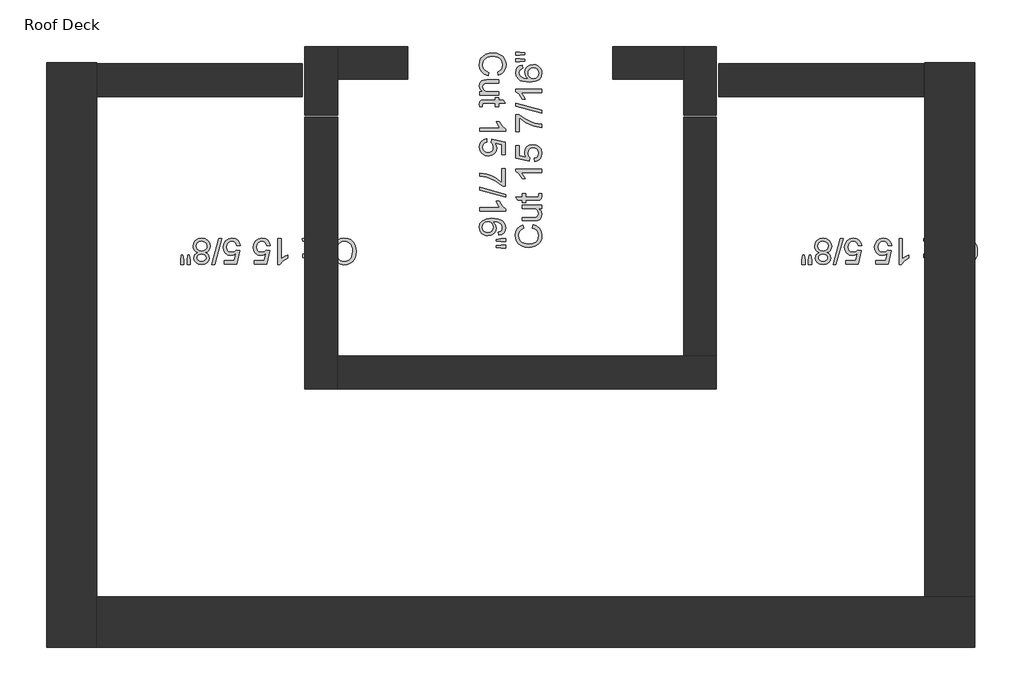
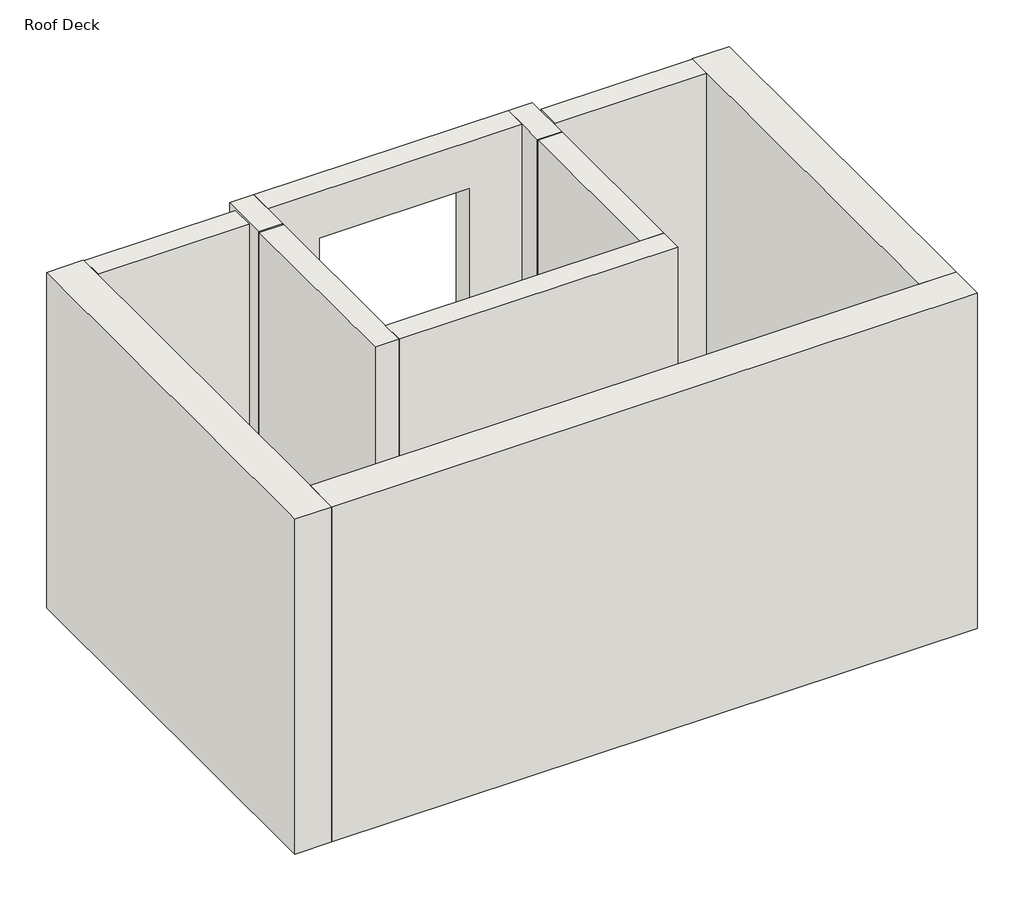
# One storey: 11 walls, 4 proxies.
"""IFC4 building model written with IfcOpenShell, lengths in millimetres."""

import ifcopenshell
import ifcopenshell.guid

model = None  # the IFC model being written
_history = None  # IfcOwnerHistory: only IFC2X3 demands one
_inside = {}  # id of a spatial element -> (the spatial element, [elements in it])
_under = {}  # id of a project, library or spatial element -> (it, [spatial elements below it])
_declared = {}  # id of a project -> (the project, [libraries it declares])
_typed = {}  # id of a type object -> (the type object, [elements of that type])
_made_of = {}  # id of a material, layer set ... -> (it, [elements and type objects made of it])


def new_model(schema):
    """Start an empty IFC model of exactly this schema.

    Asked for "IFC4X3", IfcOpenShell would pick the latest addendum, in which some entities
    have other attributes; the version numbers below select the first issue.
    IFC2X3 requires an IfcOwnerHistory on every rooted entity: one is made here for all.
    """
    global model, _history
    if schema == "IFC4X3":
        model = ifcopenshell.file(schema_version=(4, 3, 0, 0))
    else:
        model = ifcopenshell.file(schema=schema)
    _inside.clear()
    _under.clear()
    _declared.clear()
    _typed.clear()
    _made_of.clear()
    _history = None
    if model.schema == "IFC2X3":
        org = make("IfcOrganization", Name="unknown")
        user = make(
            "IfcPersonAndOrganization",
            ThePerson=make("IfcPerson", FamilyName="unknown"),
            TheOrganization=org,
        )
        app = make(
            "IfcApplication",
            ApplicationDeveloper=org,
            Version="unknown",
            ApplicationFullName="unknown",
            ApplicationIdentifier="unknown",
        )
        _history = make(
            "IfcOwnerHistory",
            OwningUser=user,
            OwningApplication=app,
            ChangeAction="ADDED",
            CreationDate=0,
        )
    return model


def make(cls, **values):
    """One entity of the class cls with the attributes given. An attribute that is None is left unset."""
    return model.create_entity(
        cls, **{name: value for name, value in values.items() if value is not None}
    )


def rooted(cls, **values):
    """An entity with a GlobalId (a new one), such as an element, a storey or a relation."""
    return make(cls, GlobalId=ifcopenshell.guid.new(), OwnerHistory=_history, **values)


def si_unit(unit_type, name, prefix=None):
    """IfcSIUnit, for example si_unit("LENGTHUNIT", "METRE", prefix="MILLI")."""
    return make("IfcSIUnit", UnitType=unit_type, Prefix=prefix, Name=name)


def assignment(units):
    """IfcUnitAssignment: the units of a project."""
    return None if units is None else make("IfcUnitAssignment", Units=units)


def point(xyz):
    """IfcCartesianPoint."""
    return None if xyz is None else make("IfcCartesianPoint", Coordinates=xyz)


def direction(xyz):
    """IfcDirection."""
    return None if xyz is None else make("IfcDirection", DirectionRatios=xyz)


def frame(location, z_axis=None, x_axis=None):
    """IfcAxis2Placement3D, a coordinate frame: its origin and axes. An axis left out is left unset."""
    return make(
        "IfcAxis2Placement3D",
        Location=point(location),
        Axis=direction(z_axis),
        RefDirection=direction(x_axis),
    )


def origin():
    """The frame at (0, 0, 0) with its axes left unset."""
    return frame((0.0, 0.0, 0.0))


def place(relative_to, where):
    """IfcLocalPlacement: puts the frame where relative to a parent placement (None: the world)."""
    return make(
        "IfcLocalPlacement", PlacementRelTo=relative_to, RelativePlacement=where
    )


def context(
    kind, dimensions, precision=None, world=None, true_north=None, identifier=None
):
    """IfcGeometricRepresentationContext, for example the 3D "Model" context."""
    return make(
        "IfcGeometricRepresentationContext",
        ContextIdentifier=identifier,
        ContextType=kind,
        CoordinateSpaceDimension=dimensions,
        Precision=precision,
        WorldCoordinateSystem=world,
        TrueNorth=true_north,
    )


def project(units=None, contexts=None):
    """IfcProject with its units and contexts."""
    return rooted(
        "IfcProject",
        Name="project",
        RepresentationContexts=contexts,
        UnitsInContext=assignment(units),
    )


def spatial(cls, under=None, at=None, **own):
    """A site, building, storey or space (cls), placed at a placement, below another one or the project."""
    s = rooted(cls, ObjectPlacement=at, **own)
    if under is not None:
        _under.setdefault(under.id(), (under, []))[1].append(s)
    return s


def polyline(points):
    """IfcPolyline through the points."""
    return make("IfcPolyline", Points=[point(p) for p in points])


def outline(outer, holes=None, kind="AREA"):
    """IfcArbitraryClosedProfileDef: a profile drawn as a closed curve; with holes, ...WithVoids."""
    if holes is None:
        return make("IfcArbitraryClosedProfileDef", ProfileType=kind, OuterCurve=outer)
    return make(
        "IfcArbitraryProfileDefWithVoids",
        ProfileType=kind,
        OuterCurve=outer,
        InnerCurves=holes,
    )


def extrude(swept, where, along, depth):
    """IfcExtrudedAreaSolid: the profile swept, set in the frame where, extruded along a direction by depth."""
    return make(
        "IfcExtrudedAreaSolid",
        SweptArea=swept,
        Position=where,
        ExtrudedDirection=direction(along),
        Depth=depth,
    )


def faces_of(points, faces, orient=None, outer=None):
    """IfcFace entities. A face is a list of loops; a loop is a list of indices into points, from 0.

    orient and outer hold one flag for each loop. By default every Orientation is true, the
    first loop of a face is its IfcFaceOuterBound and the others are IfcFaceBound.
    """
    made = []
    for i, loops in enumerate(faces):
        bounds = []
        for j, loop in enumerate(loops):
            is_outer = j == 0 if outer is None else outer[i][j]
            bounds.append(
                make(
                    "IfcFaceOuterBound" if is_outer else "IfcFaceBound",
                    Bound=make("IfcPolyLoop", Polygon=[points[k] for k in loop]),
                    Orientation=True if orient is None else orient[i][j],
                )
            )
        made.append(make("IfcFace", Bounds=bounds))
    return made


def faceted_brep(points, faces, orient=None, outer=None, voids=None):
    """IfcFacetedBrep: a solid bounded by flat faces; with voids (closed shells), ...WithVoids."""
    shared = [point(p) for p in points]
    hull = make("IfcClosedShell", CfsFaces=faces_of(shared, faces, orient, outer))
    if voids is None:
        return make("IfcFacetedBrep", Outer=hull)
    return make(
        "IfcFacetedBrepWithVoids",
        Outer=hull,
        Voids=[
            make(cls, CfsFaces=faces_of(shared, fs, o, b)) for cls, fs, o, b in voids
        ],
    )


def shape(context_of_items, identifier, shape_type, items):
    """IfcShapeRepresentation: the items that make up one representation, for example the "Body"."""
    return make(
        "IfcShapeRepresentation",
        ContextOfItems=context_of_items,
        RepresentationIdentifier=identifier,
        RepresentationType=shape_type,
        Items=items,
    )


def source(mapping_origin, context_of_items, identifier, shape_type, items):
    """IfcRepresentationMap: a shape defined once, which mapped items show again and again."""
    return make(
        "IfcRepresentationMap",
        MappingOrigin=mapping_origin,
        MappedRepresentation=shape(context_of_items, identifier, shape_type, items),
    )


def transform(
    local_origin,
    x_axis=None,
    y_axis=None,
    z_axis=None,
    scale=None,
    scale2=None,
    scale3=None,
    uniform=True,
):
    """IfcCartesianTransformationOperator3D, or its non-uniform kind. x_axis, y_axis, z_axis: its Axis1, 2, 3."""
    if uniform:
        return make(
            "IfcCartesianTransformationOperator3D",
            Axis1=direction(x_axis),
            Axis2=direction(y_axis),
            LocalOrigin=point(local_origin),
            Scale=scale,
            Axis3=direction(z_axis),
        )
    return make(
        "IfcCartesianTransformationOperator3DnonUniform",
        Axis1=direction(x_axis),
        Axis2=direction(y_axis),
        LocalOrigin=point(local_origin),
        Scale=scale,
        Axis3=direction(z_axis),
        Scale2=scale2,
        Scale3=scale3,
    )


def mapped(mapping_source, mapping_target):
    """IfcMappedItem: shows the shape of a source again, moved by a transform."""
    return make(
        "IfcMappedItem", MappingSource=mapping_source, MappingTarget=mapping_target
    )


def made_of(thing, what):
    """Note that an element or type object is made of a material, layer set ...; save() writes the relation."""
    if what is not None:
        _made_of.setdefault(what.id(), (what, []))[1].append(thing)
    return thing


def element(
    cls,
    number,
    at=None,
    inside=None,
    cuts=None,
    type_object=None,
    material=None,
    context=None,
    identifier="Body",
    shape_type=None,
    held_by="IfcProductDefinitionShape",
    body=None,
    shapes=None,
    **own,
):
    """One element of the class cls, such as IfcWall. Its Tag is "e" and its number.

    at: its placement. inside: the storey or other place that contains it. cuts: it is an
    opening in that element (IfcRelVoidsElement). A single representation is given by context,
    identifier, shape_type and body (its items); several are given by shapes. held_by: the class
    of the entity that holds the representations. save() writes the other relations.
    """
    e = rooted(cls, Tag="e%d" % number, ObjectPlacement=at, **own)
    if body is not None:
        shapes = [shape(context, identifier, shape_type, body)]
    if shapes is not None:
        e.Representation = make(held_by, Representations=shapes)
    if inside is not None:
        _inside.setdefault(inside.id(), (inside, []))[1].append(e)
    if cuts is not None:
        rooted(
            "IfcRelVoidsElement", RelatingBuildingElement=cuts, RelatedOpeningElement=e
        )
    if type_object is not None:
        _typed.setdefault(type_object.id(), (type_object, []))[1].append(e)
    return made_of(e, material)


def aggregate(whole, parts):
    """IfcRelAggregates: a whole, such as a stair, and the parts it consists of."""
    return rooted("IfcRelAggregates", RelatingObject=whole, RelatedObjects=parts)


def save(model, path):
    """Write the relations noted so far, then the file.

    IfcRelAggregates (storeys below a building ...), IfcRelContainedInSpatialStructure (elements
    in a storey), IfcRelDefinesByType, IfcRelAssociatesMaterial and IfcRelDeclares: one each for
    every whole, place, type object, material and project.
    """
    for whole, parts in _under.values():
        aggregate(whole, parts)
    for where, things in _inside.values():
        rooted(
            "IfcRelContainedInSpatialStructure",
            RelatedElements=things,
            RelatingStructure=where,
        )
    for kind, things in _typed.values():
        rooted("IfcRelDefinesByType", RelatedObjects=things, RelatingType=kind)
    for what, things in _made_of.values():
        rooted("IfcRelAssociatesMaterial", RelatedObjects=things, RelatingMaterial=what)
    for by, libraries in _declared.values():
        rooted("IfcRelDeclares", RelatingContext=by, RelatedDefinitions=libraries)
    model.write(path)


def masonry_iq_bond_cut_family_masonry_iq_bond_cut_3615170a(model_context):
    return source(origin(), model_context, "Body", "SweptSolid", [
        extrude(outline(polyline([(892.6206364, 458.8966992), (887.6868974, 439.7597721), (865.3869577, 448.5900437), (849.0953403, 462.4474962), (839.1297482, 480.6500031), (835.8078841, 502.5154373), (838.3214746, 524.7125908), (845.8622462, 542.3404291), (858.1685611, 555.8521462), (874.9787817, 565.7009358), (894.7417704, 571.7139302), (915.9063895, 573.7182617), (938.2296897, 571.4522926), (957.5067798, 564.6543851), (973.1256146, 553.6796191), (984.4741487, 538.8830741), (991.3841866, 521.3346615), (993.6875326, 502.1042924), (990.7067319, 481.1218853), (981.7643299, 463.774373), (967.4116346, 450.6037193), (948.1999539, 442.151888), (943.639983, 461.2888151), (957.5955497, 467.923199), (967.1686854, 476.9870756), (972.7051254, 488.5925753), (974.5506055, 502.8518286), (972.5042251, 519.2882811), (966.3650839, 532.790654), (956.777932, 543.0365722), (944.3875192, 549.7036608), (915.9437663, 554.5813346), (898.2645348, 553.1376553), (882.9774192, 548.8066174), (870.6664322, 541.4246973), (861.9155864, 530.8283714), (856.687505, 518.1249279), (854.9448112, 504.4216547), (857.3182387, 488.4477402), (864.4385211, 475.1369235), (876.2309049, 465.0872335), (892.6206364, 458.8966992)])), frame((34.925, 0.0, 0.0), z_axis=(1.0, 0.0, 0.0), x_axis=(0.0, 1.0, 0.0)), (0.0, 0.0, 1.0), 1.7068799),
        extrude(outline(polyline([(838.2, 344.0751367), (857.5238111, 344.0751367), (841.2368659, 359.0632378), (835.8078841, 378.6113098), (839.6203188, 396.6082442), (849.1887823, 409.0173453), (863.27984, 414.717309), (881.0712019, 415.8386133), (950.6294466, 415.8386133), (950.6294466, 396.7016862), (890.0790133, 396.7016862), (870.5683181, 395.5430051), (859.1123256, 387.9742009), (854.9448112, 373.7149476), (859.2057676, 357.736361), (870.8112673, 347.177412), (892.1347379, 344.0751367), (950.6294466, 344.0751367), (950.6294466, 324.9382096), (838.2, 324.9382096), (838.2, 344.0751367)])), frame((34.925, 0.0, 0.0), z_axis=(1.0, 0.0, 0.0), x_axis=(0.0, 1.0, 0.0)), (0.0, 0.0, 1.0), 1.7068799),
        extrude(outline(polyline([(854.1598982, 257.9589648), (837.6393478, 255.566849), (835.8078841, 269.8821675), (838.984913, 285.9168193), (847.3199418, 293.9154567), (869.0358688, 296.232819), (931.4925195, 296.232819), (931.4925195, 310.5855143), (950.6294466, 310.5855143), (950.6294466, 296.232819), (977.9518952, 296.232819), (989.2023153, 277.0958919), (950.6294466, 277.0958919), (950.6294466, 257.9589648), (931.4925195, 257.9589648), (931.4925195, 277.0958919), (869.596521, 277.0958919), (859.729043, 276.086718), (856.2343112, 272.8162471), (854.9448112, 266.2939936), (854.1598982, 257.9589648)])), frame((34.925, 0.0, 0.0), z_axis=(1.0, 0.0, 0.0), x_axis=(0.0, 1.0, 0.0)), (0.0, 0.0, 1.0), 1.7068799),
        extrude(outline(polyline([(838.2, 112.0398958), (838.2, 131.1768229), (957.5067798, 131.1768229), (944.5930917, 149.3045761), (934.9311861, 169.4506771), (953.0215625, 169.4506771), (970.9250548, 141.3993806), (991.2954167, 124.3742434), (991.2954167, 112.0398958), (838.2, 112.0398958)])), frame((34.925, 0.0, 0.0), z_axis=(1.0, 0.0, 0.0), x_axis=(0.0, 1.0, 0.0)), (0.0, 0.0, 1.0), 1.7068799),
        extrude(outline(polyline([(878.8659701, 66.589694), (881.2580859, 47.4527669), (869.7693887, 43.9393467), (861.5418183, 37.8095498), (856.594063, 29.0914087), (854.9448112, 17.812956), (857.238813, 4.0956665), (864.1208182, -6.1829564), (874.7965698, -12.6024237), (888.4718104, -14.7422461), (901.3481217, -12.7379146), (911.1969113, -6.7249202), (917.4481829, 3.3434582), (919.5319401, 17.5139415), (916.205404, 34.314818), (907.5713607, 45.060651), (909.9634766, 64.1975781), (988.9033008, 47.4527669), (988.9033008, -26.7028255), (969.7663737, -26.7028255), (969.7663737, 31.9787673), (927.6053312, 40.2016656), (935.9029832, 26.5310971), (938.6688672, 12.2064344), (935.2395448, -5.6783695), (924.9515777, -20.5356518), (909.2720056, -30.5432928), (889.6678683, -33.8791732), (870.5309413, -30.8796841), (854.1598982, -21.8812169), (840.3958876, -4.6505072), (835.8078841, 17.8877097), (838.7559801, 36.6835733), (847.6002679, 51.6576581), (861.3128853, 61.9222648), (878.8659701, 66.589694)])), frame((34.925, 0.0, 0.0), z_axis=(1.0, 0.0, 0.0), x_axis=(0.0, 1.0, 0.0)), (0.0, 0.0, 1.0), 1.7068799),
        extrude(outline(polyline([(969.7663737, -110.4268815), (988.9033008, -110.4268815), (988.9033008, -210.8957487), (973.4293011, -210.8957487), (932.2587442, -182.3959305), (906.389319, -169.8887153), (879.8003903, -160.5865615), (838.2, -153.4849675), (838.2, -134.3480404), (881.3702164, -141.9542214), (906.2211234, -150.8078534), (930.1656428, -162.8291701), (969.7663737, -191.7588216), (969.7663737, -110.4268815)])), frame((34.925, 0.0, 0.0), z_axis=(1.0, 0.0, 0.0), x_axis=(0.0, 1.0, 0.0)), (0.0, 0.0, 1.0), 1.7068799),
        extrude(outline(polyline([(838.2, -218.0720964), (991.2954167, -261.1301823), (991.2954167, -278.4730225), (838.2, -235.3775597), (838.2, -218.0720964)])), frame((34.925, 0.0, 0.0), z_axis=(1.0, 0.0, 0.0), x_axis=(0.0, 1.0, 0.0)), (0.0, 0.0, 1.0), 1.7068799),
        extrude(outline(polyline([(838.2, -359.2069336), (838.2, -340.0700065), (957.5067798, -340.0700065), (944.5930917, -321.9422533), (934.9311861, -301.7961524), (953.0215625, -301.7961524), (970.9250548, -329.8474488), (991.2954167, -346.8725861), (991.2954167, -359.2069336), (838.2, -359.2069336)])), frame((34.925, 0.0, 0.0), z_axis=(1.0, 0.0, 0.0), x_axis=(0.0, 1.0, 0.0)), (0.0, 0.0, 1.0), 1.7068799),
        extrude(outline(polyline([(950.6294466, -502.7338867), (948.2373307, -483.5969596), (964.1972289, -476.3458584), (970.1681744, -467.6650941), (972.1584896, -457.1715545), (967.5237651, -439.9034679), (950.1248597, -426.8402726), (935.8702785, -422.8736585), (916.0185199, -421.4019466), (931.2869471, -438.2775767), (936.2767513, -459.1899023), (932.8661173, -476.8691337), (922.6342154, -491.7077276), (907.0013643, -501.7714339), (887.3878829, -505.1260026), (873.6846097, -503.5468324), (860.9811661, -498.8093216), (850.2073004, -491.3059269), (842.2927608, -481.4291046), (837.4291033, -469.6273766), (835.8078841, -456.3492646), (840.1062173, -434.6380097), (853.001217, -417.3465627), (875.7636948, -406.0354053), (909.6644621, -402.2650195), (947.7794648, -406.4512223), (962.3167081, -411.6839758), (973.8404461, -419.0098307), (986.931674, -436.1564427), (991.2954167, -458.3676124), (988.5949421, -475.1591446), (980.4935184, -488.6054523), (967.6265513, -498.0244086), (950.6294466, -502.7338867)]), holes=[polyline([(887.6868974, -421.4019466), (871.1102818, -425.8310987), (859.0749488, -437.6047941), (854.9448112, -454.8541922), (857.0846336, -467.4828821), (863.5041009, -477.4110975), (873.5958397, -483.844581), (886.7524771, -485.9890755), (899.381167, -483.8726136), (909.0103679, -477.5232279), (915.1074601, -467.4268169), (917.1398242, -454.0692792), (915.1074601, -441.4592777), (909.0103679, -430.9143449), (899.6147721, -423.7800462), (887.6868974, -421.4019466)])]), frame((34.925, 0.0, 0.0), z_axis=(1.0, 0.0, 0.0), x_axis=(0.0, 1.0, 0.0)), (0.0, 0.0, 1.0), 1.7068799),
        extrude(outline(polyline([(936.2767513, -526.5429152), (965.8418086, -521.8708138), (991.2954167, -521.8708138), (991.2954167, -541.0077409), (965.8418086, -541.0077409), (936.2767513, -536.8215381), (936.2767513, -526.5429152)])), frame((34.925, 0.0, 0.0), z_axis=(1.0, 0.0, 0.0), x_axis=(0.0, 1.0, 0.0)), (0.0, 0.0, 1.0), 1.7068799),
        extrude(outline(polyline([(936.2767513, -564.7046389), (965.8418086, -560.144668), (991.2954167, -560.144668), (991.2954167, -579.2815951), (965.8418086, -579.2815951), (936.2767513, -574.7963778), (936.2767513, -564.7046389)])), frame((34.925, 0.0, 0.0), z_axis=(1.0, 0.0, 0.0), x_axis=(0.0, 1.0, 0.0)), (0.0, 0.0, 1.0), 1.7068799),
    ])


def masonry_iq_bond_cut_family_masonry_iq_bond_cut_271ad8ae(model_context):
    return source(origin(), model_context, "Body", "SweptSolid", [
        extrude(outline(polyline([(892.6206364, 400.28986), (887.6868974, 381.1529329), (865.3869577, 389.9832045), (849.0953403, 403.840657), (839.1297482, 422.0431639), (835.8078841, 443.9085981), (838.3214746, 466.1057516), (845.8622462, 483.7335899), (858.1685611, 497.245307), (874.9787817, 507.0940966), (894.7417704, 513.1070911), (915.9063895, 515.1114225), (938.2296897, 512.8454534), (957.5067798, 506.0475459), (973.1256146, 495.0727799), (984.4741487, 480.2762349), (991.3841866, 462.7278223), (993.6875326, 443.4974532), (990.7067319, 422.5150461), (981.7643299, 405.1675338), (967.4116346, 391.9968801), (948.1999539, 383.5450488), (943.639983, 402.6819759), (957.5955497, 409.3163598), (967.1686854, 418.3802364), (972.7051254, 429.9857361), (974.5506055, 444.2449894), (972.5042251, 460.6814419), (966.3650839, 474.1838148), (956.777932, 484.429733), (944.3875192, 491.0968216), (915.9437663, 495.9744954), (898.2645348, 494.5308161), (882.9774192, 490.1997782), (870.6664322, 482.8178581), (861.9155864, 472.2215322), (856.687505, 459.5180887), (854.9448112, 445.8148155), (857.3182387, 429.840901), (864.4385211, 416.5300843), (876.2309049, 406.4803943), (892.6206364, 400.28986)])), frame((34.925, 0.0, 0.0), z_axis=(1.0, 0.0, 0.0), x_axis=(0.0, 1.0, 0.0)), (0.0, 0.0, 1.0), 1.7068799),
        extrude(outline(polyline([(838.2, 285.4682975), (857.5238111, 285.4682975), (841.2368659, 300.4563986), (835.8078841, 320.0044706), (839.6203188, 338.001405), (849.1887823, 350.4105061), (863.27984, 356.1104698), (881.0712019, 357.2317741), (950.6294466, 357.2317741), (950.6294466, 338.094847), (890.0790133, 338.094847), (870.5683181, 336.9361659), (859.1123256, 329.3673617), (854.9448112, 315.1081084), (859.2057676, 299.1295218), (870.8112673, 288.5705728), (892.1347379, 285.4682975), (950.6294466, 285.4682975), (950.6294466, 266.3313704), (838.2, 266.3313704), (838.2, 285.4682975)])), frame((34.925, 0.0, 0.0), z_axis=(1.0, 0.0, 0.0), x_axis=(0.0, 1.0, 0.0)), (0.0, 0.0, 1.0), 1.7068799),
        extrude(outline(polyline([(854.1598982, 199.3521256), (837.6393478, 196.9600098), (835.8078841, 211.2753283), (838.984913, 227.3099801), (847.3199418, 235.3086176), (869.0358688, 237.6259798), (931.4925195, 237.6259798), (931.4925195, 251.9786751), (950.6294466, 251.9786751), (950.6294466, 237.6259798), (977.9518952, 237.6259798), (989.2023153, 218.4890527), (950.6294466, 218.4890527), (950.6294466, 199.3521256), (931.4925195, 199.3521256), (931.4925195, 218.4890527), (869.596521, 218.4890527), (859.729043, 217.4798788), (856.2343112, 214.2094079), (854.9448112, 207.6871544), (854.1598982, 199.3521256)])), frame((34.925, 0.0, 0.0), z_axis=(1.0, 0.0, 0.0), x_axis=(0.0, 1.0, 0.0)), (0.0, 0.0, 1.0), 1.7068799),
        extrude(outline(polyline([(838.2, 53.4330566), (838.2, 72.5699837), (957.5067798, 72.5699837), (944.5930917, 90.6977369), (934.9311861, 110.8438379), (953.0215625, 110.8438379), (970.9250548, 82.7925414), (991.2954167, 65.7674042), (991.2954167, 53.4330566), (838.2, 53.4330566)])), frame((34.925, 0.0, 0.0), z_axis=(1.0, 0.0, 0.0), x_axis=(0.0, 1.0, 0.0)), (0.0, 0.0, 1.0), 1.7068799),
        extrude(outline(polyline([(878.8659701, 7.9828548), (881.2580859, -11.1540723), (869.7693887, -14.6674925), (861.5418183, -20.7972894), (856.594063, -29.5154305), (854.9448112, -40.7938832), (857.238813, -54.5111727), (864.1208182, -64.7897956), (874.7965698, -71.2092629), (888.4718104, -73.3490853), (901.3481217, -71.3447538), (911.1969113, -65.3317594), (917.4481829, -55.263381), (919.5319401, -41.0928976), (916.205404, -24.2920212), (907.5713607, -13.5461882), (909.9634766, 5.5907389), (988.9033008, -11.1540723), (988.9033008, -85.3096647), (969.7663737, -85.3096647), (969.7663737, -26.6280719), (927.6053312, -18.4051735), (935.9029832, -32.0757421), (938.6688672, -46.4004048), (935.2395448, -64.2852087), (924.9515777, -79.142491), (909.2720056, -89.150132), (889.6678683, -92.4860124), (870.5309413, -89.4865233), (854.1598982, -80.4880561), (840.3958876, -63.2573464), (835.8078841, -40.7191295), (838.7559801, -21.9232659), (847.6002679, -6.9491811), (861.3128853, 3.3154256), (878.8659701, 7.9828548)])), frame((34.925, 0.0, 0.0), z_axis=(1.0, 0.0, 0.0), x_axis=(0.0, 1.0, 0.0)), (0.0, 0.0, 1.0), 1.7068799),
        extrude(outline(polyline([(878.8659701, -169.0337207), (881.2580859, -188.1706478), (869.7693887, -191.684068), (861.5418183, -197.813865), (856.594063, -206.5320061), (854.9448112, -217.8104587), (857.238813, -231.5277482), (864.1208182, -241.8063712), (874.7965698, -248.2258384), (888.4718104, -250.3656608), (901.3481217, -248.3613293), (911.1969113, -242.3483349), (917.4481829, -232.2799565), (919.5319401, -218.1094732), (916.205404, -201.3085968), (907.5713607, -190.5627637), (909.9634766, -171.4258366), (988.9033008, -188.1706478), (988.9033008, -262.3262402), (969.7663737, -262.3262402), (969.7663737, -203.6446474), (927.6053312, -195.4217491), (935.9029832, -209.0923176), (938.6688672, -223.4169803), (935.2395448, -241.3017842), (924.9515777, -256.1590665), (909.2720056, -266.1667075), (889.6678683, -269.5025879), (870.5309413, -266.5030988), (854.1598982, -257.5046317), (840.3958876, -240.2739219), (835.8078841, -217.7357051), (838.7559801, -198.9398414), (847.6002679, -183.9657566), (861.3128853, -173.7011499), (878.8659701, -169.0337207)])), frame((34.925, 0.0, 0.0), z_axis=(1.0, 0.0, 0.0), x_axis=(0.0, 1.0, 0.0)), (0.0, 0.0, 1.0), 1.7068799),
        extrude(outline(polyline([(838.2, -276.6789356), (991.2954167, -319.7370215), (991.2954167, -337.0798617), (838.2, -293.9843989), (838.2, -276.6789356)])), frame((34.925, 0.0, 0.0), z_axis=(1.0, 0.0, 0.0), x_axis=(0.0, 1.0, 0.0)), (0.0, 0.0, 1.0), 1.7068799),
        extrude(outline(polyline([(922.522085, -373.933397), (927.5679544, -363.6874788), (934.4079108, -356.4971148), (952.9094321, -350.834528), (967.8695006, -353.9181149), (980.2318807, -363.1688755), (988.5295327, -377.5496035), (991.2954167, -396.0230922), (988.4641233, -414.6087113), (979.970243, -429.1763233), (967.4116346, -438.5952796), (952.3861567, -441.7349316), (934.3518456, -436.1470984), (922.522085, -419.1967148), (916.4530253, -430.9750823), (907.5152955, -439.5483882), (896.1387287, -444.7764696), (882.7531584, -446.5191634), (864.4572095, -443.0618084), (849.3382896, -432.6897435), (839.1904855, -416.6737801), (835.8078841, -396.2847298), (839.2045018, -375.8956796), (849.3943548, -359.8797162), (864.6581099, -349.5076512), (883.2764337, -346.0502962), (897.1806073, -347.8630716), (908.6179114, -353.3013975), (917.1958894, -362.084948), (922.522085, -373.933397)]), holes=[polyline([(952.3487799, -369.9714551), (943.9950627, -371.6674279), (937.323302, -376.7553462), (932.9502151, -385.0857029), (931.4925195, -396.5089907), (932.9408709, -407.6659687), (937.2859252, -415.8701786), (943.733425, -420.9160481), (951.4891133, -422.5980046), (959.5391439, -420.8599829), (966.1968883, -415.6459178), (970.6680893, -407.3295774), (972.1584896, -396.2847298), (970.700794, -385.1698007), (966.3277071, -376.8674767), (959.9175841, -371.6954605), (952.3487799, -369.9714551)]), polyline([(883.9492163, -365.1872233), (869.5404558, -368.3829406), (858.7572459, -379.6894259), (854.9448112, -396.4342371), (856.9491427, -409.4600556), (862.9621371, -419.2340916), (872.0680626, -425.3452002), (883.3511873, -427.3822363), (894.8258682, -425.2797907), (904.1326941, -418.9724539), (910.2998679, -408.9741571), (912.3555924, -395.7988313), (910.3279005, -382.9552247), (904.2448245, -373.2793028), (895.1155385, -367.2102432), (883.9492163, -365.1872233)])]), frame((34.925, 0.0, 0.0), z_axis=(1.0, 0.0, 0.0), x_axis=(0.0, 1.0, 0.0)), (0.0, 0.0, 1.0), 1.7068799),
        extrude(outline(polyline([(936.2767513, -467.936076), (965.8418086, -463.2639746), (991.2954167, -463.2639746), (991.2954167, -482.4009017), (965.8418086, -482.4009017), (936.2767513, -478.2146989), (936.2767513, -467.936076)])), frame((34.925, 0.0, 0.0), z_axis=(1.0, 0.0, 0.0), x_axis=(0.0, 1.0, 0.0)), (0.0, 0.0, 1.0), 1.7068799),
        extrude(outline(polyline([(936.2767513, -506.0977997), (965.8418086, -501.5378288), (991.2954167, -501.5378288), (991.2954167, -520.6747559), (965.8418086, -520.6747559), (936.2767513, -516.1895386), (936.2767513, -506.0977997)])), frame((34.925, 0.0, 0.0), z_axis=(1.0, 0.0, 0.0), x_axis=(0.0, 1.0, 0.0)), (0.0, 0.0, 1.0), 1.7068799),
    ])


model = new_model("IFC4")

# Units and contexts
model_context = context("Model", 3, world=origin())
ifc_project = project(units=[si_unit("LENGTHUNIT", "METRE", prefix="MILLI")], contexts=[model_context])

# Site, building, storey
site = spatial("IfcSite", under=ifc_project)
building = spatial("IfcBuilding", under=site)
storey = spatial("IfcBuildingStorey", under=building, Name="Roof Deck", Elevation=6908.8)

# Proxies
placement = place(None, origin())
masonry_iq_bond_cut_family_masonry_iq_bond_cut_shape = masonry_iq_bond_cut_family_masonry_iq_bond_cut_3615170a(model_context)
element("IfcBuildingElementProxy", 1, Name="Masonry iQ Bond Cut Family : Masonry iQ Bond Cut", ObjectType="Masonry iQ Bond Cut Family : Masonry iQ Bond Cut", at=placement, inside=storey, context=model_context, shape_type="MappedRepresentation", body=[
    mapped(masonry_iq_bond_cut_family_masonry_iq_bond_cut_shape, transform((12310.9466482, -5287.9949644, 6908.8), x_axis=(0.0, 0.0, 1.0), y_axis=(1.0, 0.0, 0.0), z_axis=(0.0, 1.0, 0.0))),
])
element("IfcBuildingElementProxy", 2, Name="Masonry iQ Bond Cut Family : Masonry iQ Bond Cut", ObjectType="Masonry iQ Bond Cut Family : Masonry iQ Bond Cut", at=placement, inside=storey, context=model_context, shape_type="MappedRepresentation", body=[
    mapped(masonry_iq_bond_cut_family_masonry_iq_bond_cut_shape, transform((14352.4716482, -5287.9949644, 6908.8), x_axis=(0.0, 0.0, 1.0), y_axis=(-1.0, 0.0, 0.0), z_axis=(0.0, -1.0, 0.0))),
])
masonry_iq_bond_cut_family_masonry_iq_bond_cut_2_shape = masonry_iq_bond_cut_family_masonry_iq_bond_cut_271ad8ae(model_context)
element("IfcBuildingElementProxy", 3, Name="Masonry iQ Bond Cut Family : Masonry iQ Bond Cut", ObjectType="Masonry iQ Bond Cut Family : Masonry iQ Bond Cut", at=placement, inside=storey, context=model_context, shape_type="MappedRepresentation", body=[
    mapped(masonry_iq_bond_cut_family_masonry_iq_bond_cut_2_shape, transform((11904.5466482, -4971.2887144, 6908.8), x_axis=(0.0, 0.0, 1.0), y_axis=(0.0, -1.0, 0.0), z_axis=(1.0, 0.0, 0.0))),
])
element("IfcBuildingElementProxy", 4, Name="Masonry iQ Bond Cut Family : Masonry iQ Bond Cut", ObjectType="Masonry iQ Bond Cut Family : Masonry iQ Bond Cut", at=placement, inside=storey, context=model_context, shape_type="MappedRepresentation", body=[
    mapped(masonry_iq_bond_cut_family_masonry_iq_bond_cut_2_shape, transform((15571.6716482, -4971.2887144, 6908.8), x_axis=(0.0, 0.0, 1.0), y_axis=(0.0, -1.0, 0.0), z_axis=(1.0, 0.0, 0.0))),
])

# Walls
element("IfcWall", 5, ObjectType="12\" Omni", at=placement, inside=storey, context=model_context, shape_type="Brep", body=[
    faceted_brep([(10593.2716482, -4772.8512144, 6908.8), (10593.2716482, -8222.4887144, 6908.8), (10593.2716482, -8222.4887144, 9753.6), (10593.2716482, -4772.8512144, 9753.6), (10888.5466482, -4772.8512144, 6908.8), (10888.5466482, -4772.8512144, 9753.6), (10888.5466482, -7927.2137144, 9753.6), (10888.5466482, -8222.4887144, 9753.6), (10888.5466482, -8222.4887144, 6908.8), (10888.5466482, -7927.2137144, 6908.8)], [[[0, 1, 2, 3]], [[4, 5, 6, 7, 8, 9]], [[1, 0, 4, 9, 8]], [[3, 2, 7, 6, 5]], [[0, 3, 5, 4]], [[2, 1, 8, 7]]]),
])
element("IfcWall", 6, ObjectType="12\" Omni", at=placement, inside=storey, context=model_context, shape_type="Brep", body=[
    faceted_brep([(10888.5466482, -8222.4887144, 6908.8), (16070.1466482, -8222.4887144, 6908.8), (16070.1466482, -8222.4887144, 9753.6), (10888.5466482, -8222.4887144, 9753.6), (10888.5466482, -7927.2137144, 6908.8), (10888.5466482, -7927.2137144, 9753.6), (15774.8716482, -7927.2137144, 9753.6), (16070.1466482, -7927.2137144, 9753.6), (16070.1466482, -7927.2137144, 6908.8), (15774.8716482, -7927.2137144, 6908.8)], [[[0, 1, 2, 3]], [[4, 5, 6, 7, 8, 9]], [[1, 0, 4, 9, 8]], [[3, 2, 7, 6, 5]], [[0, 3, 5, 4]], [[2, 1, 8, 7]]]),
])
element("IfcWall", 7, ObjectType="12\" Omni", at=placement, inside=storey, context=model_context, shape_type="SweptSolid", body=[
    extrude(outline(polyline([(16070.1466482, -4772.8512144), (16070.1466482, -7927.2137144), (15774.8716482, -7927.2137144), (15774.8716482, -4772.8512144), (16070.1466482, -4772.8512144)])), frame((0.0, 0.0, 6908.8), z_axis=(0.0, 0.0, 1.0), x_axis=(1.0, 0.0, 0.0)), (0.0, 0.0, 1.0), 2844.8),
])
element("IfcWall", 8, ObjectType="8\" Omni", at=placement, inside=storey, context=model_context, shape_type="SweptSolid", body=[
    extrude(outline(polyline([(10893.3091482, -4777.6137144), (12102.9841482, -4777.6137144), (12102.9841482, -4971.2887144), (10893.3091482, -4971.2887144), (10893.3091482, -4777.6137144)])), frame((0.0, 0.0, 6908.8), z_axis=(0.0, 0.0, 1.0), x_axis=(1.0, 0.0, 0.0)), (0.0, 0.0, 1.0), 2844.8),
])
element("IfcWall", 9, ObjectType="8\" Omni", at=placement, inside=storey, context=model_context, shape_type="SweptSolid", body=[
    extrude(outline(polyline([(14560.4341482, -4777.6137144), (15770.1091482, -4777.6137144), (15770.1091482, -4971.2887144), (14560.4341482, -4971.2887144), (14560.4341482, -4777.6137144)])), frame((0.0, 0.0, 6908.8), z_axis=(0.0, 0.0, 1.0), x_axis=(1.0, 0.0, 0.0)), (0.0, 0.0, 1.0), 2844.8),
])
element("IfcWall", 10, ObjectType="8\" Omni", at=placement, inside=storey, context=model_context, shape_type="SweptSolid", body=[
    extrude(outline(polyline([(6908.8, 14352.4716482), (9753.6, 14352.4716482), (9753.6, 12310.9466482), (6908.8, 12310.9466482), (6908.8, 12724.9661402), (9356.725, 12724.9661402), (9356.725, 13934.6411402), (6908.8, 13934.6411402), (6908.8, 14352.4716482)])), frame((0.0, -4869.6887144, 0.0), z_axis=(0.0, 1.0, 0.0), x_axis=(0.0, 0.0, 1.0)), (0.0, 0.0, 1.0), 193.675),
])
element("IfcWall", 11, ObjectType="8\" Omni", at=placement, inside=storey, context=model_context, shape_type="Brep", body=[
    faceted_brep([(14352.4716482, -4676.0137144, 6908.8), (14352.4716482, -4869.6887144, 6908.8), (14352.4716482, -5082.4137144, 6908.8), (14352.4716482, -5082.4137144, 9753.6), (14352.4716482, -4869.6887144, 9753.6), (14352.4716482, -4676.0137144, 9753.6), (14546.1466482, -4676.0137144, 6908.8), (14546.1466482, -4676.0137144, 9753.6), (14546.1466482, -5082.4137144, 9753.6), (14546.1466482, -5082.4137144, 6908.8)], [[[0, 1, 2, 3, 4, 5]], [[6, 7, 8, 9]], [[2, 1, 0, 6, 9]], [[3, 2, 9, 8]], [[5, 4, 3, 8, 7]], [[0, 5, 7, 6]]]),
])
element("IfcWall", 12, ObjectType="8\" Omni", at=placement, inside=storey, context=model_context, shape_type="Brep", body=[
    faceted_brep([(12117.2716482, -4676.0137144, 6908.8), (12117.2716482, -5082.4137144, 6908.8), (12117.2716482, -5082.4137144, 9753.6), (12117.2716482, -4676.0137144, 9753.6), (12310.9466482, -4676.0137144, 6908.8), (12310.9466482, -4676.0137144, 9753.6), (12310.9466482, -4869.6887144, 9753.6), (12310.9466482, -5082.4137144, 9753.6), (12310.9466482, -5082.4137144, 6908.8), (12310.9466482, -4869.6887144, 6908.8)], [[[0, 1, 2, 3]], [[4, 5, 6, 7, 8, 9]], [[1, 0, 4, 9, 8]], [[2, 1, 8, 7]], [[3, 2, 7, 6, 5]], [[0, 3, 5, 4]]]),
])
element("IfcWall", 13, ObjectType="8\" Omni", at=placement, inside=storey, context=model_context, shape_type="Brep", body=[
    faceted_brep([(12117.2716482, -5091.9387144, 6908.8), (12117.2716482, -6698.4887144, 6908.8), (12117.2716482, -6698.4887144, 9753.6), (12117.2716482, -5091.9387144, 9753.6), (12310.9466482, -5091.9387144, 6908.8), (12310.9466482, -5091.9387144, 9753.6), (12310.9466482, -6504.8137144, 9753.6), (12310.9466482, -6698.4887144, 9753.6), (12310.9466482, -6698.4887144, 6908.8), (12310.9466482, -6504.8137144, 6908.8)], [[[0, 1, 2, 3]], [[4, 5, 6, 7, 8, 9]], [[1, 0, 4, 9, 8]], [[3, 2, 7, 6, 5]], [[0, 3, 5, 4]], [[2, 1, 8, 7]]]),
])
element("IfcWall", 14, ObjectType="8\" Omni", at=placement, inside=storey, context=model_context, shape_type="Brep", body=[
    faceted_brep([(12310.9466482, -6698.4887144, 6908.8), (14546.1466482, -6698.4887144, 6908.8), (14546.1466482, -6698.4887144, 9753.6), (12310.9466482, -6698.4887144, 9753.6), (12310.9466482, -6504.8137144, 6908.8), (12310.9466482, -6504.8137144, 9753.6), (14352.4716482, -6504.8137144, 9753.6), (14546.1466482, -6504.8137144, 9753.6), (14546.1466482, -6504.8137144, 6908.8), (14352.4716482, -6504.8137144, 6908.8)], [[[0, 1, 2, 3]], [[4, 5, 6, 7, 8, 9]], [[1, 0, 4, 9, 8]], [[3, 2, 7, 6, 5]], [[0, 3, 5, 4]], [[2, 1, 8, 7]]]),
])
element("IfcWall", 15, ObjectType="8\" Omni", at=placement, inside=storey, context=model_context, shape_type="SweptSolid", body=[
    extrude(outline(polyline([(14546.1466482, -5091.9387144), (14546.1466482, -6504.8137144), (14352.4716482, -6504.8137144), (14352.4716482, -5091.9387144), (14546.1466482, -5091.9387144)])), frame((0.0, 0.0, 6908.8), z_axis=(0.0, 0.0, 1.0), x_axis=(1.0, 0.0, 0.0)), (0.0, 0.0, 1.0), 2844.8),
])

save(model, "model.ifc")
